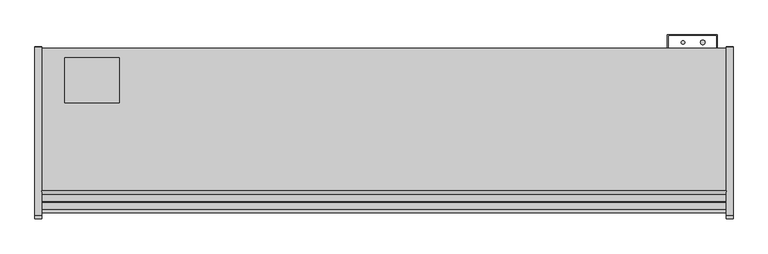
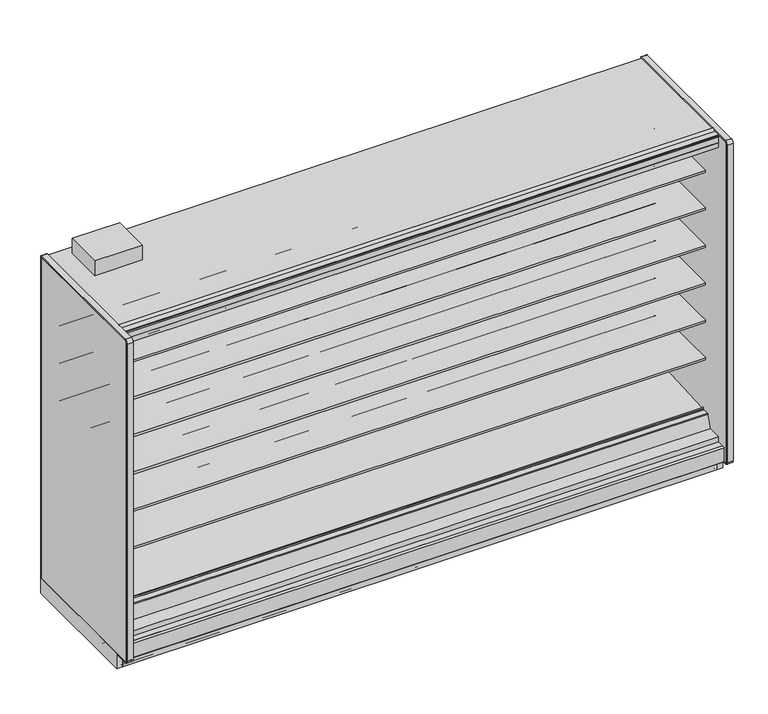
"""IFC4 building model written with IfcOpenShell, lengths in millimetres: proxy geometry."""

from ifc_helpers import new_model, si_unit, point, frame, frame_2d, origin, origin_with_axes, place, context, project, spatial, polyline, circle_curve, trimmed, segment, composite_curve, outline, extrude, source, transform, mapped, element, save
from ifc_brep_helpers import plane_surface, cylinder_surface, revolved_surface, advanced_brep


def mechanical_equipment_79e65f92(model_context):
    return source(origin(), model_context, "Body", "SolidModel", [
        advanced_brep(
        [(3810.0, -561.9634035, 344.1848334), (3810.0, -564.2429044, 345.4296812), (3810.0, -1026.8895371, 320.6518015), (3810.0, -1030.5933535, 323.8714799), (3810.0, -1031.0840219, 329.4798433), (3810.0, -1038.0719408, 329.6038293), (3810.0, -1036.3912863, 310.3938498), (3810.0, -1029.7331167, 304.6059909), (3810.0, -564.0987232, 329.0088554), (3810.0, -561.0984251, 332.412155), (0.0, -561.9634035, 344.1848334), (0.0, -561.0984251, 332.412155), (0.0, -564.0987232, 329.0088554), (0.0, -1029.7331167, 304.6059909), (0.0, -1036.3912863, 310.3938498), (0.0, -1038.0719408, 329.6038293), (0.0, -1031.1453592, 329.474477), (0.0, -1030.5933535, 323.8714799), (0.0, -1026.8895371, 320.6518015), (0.0, -564.2429044, 345.4296812)],
        [
            (0, 1, circle_curve(frame((3810.0, -564.1846976, 342.8267904), z_axis=(1.0, 0.0, 0.0), x_axis=(0.0, 1.0, 0.0)), 2.6035415)),
            (1, 2),
            (2, 3, circle_curve(frame((3810.0, -1027.074408, 324.1793478), z_axis=(-1.0, 0.0, 0.0), x_axis=(0.0, 1.0, 0.0)), 3.5323874)),
            (3, 4),
            (4, 5, circle_curve(frame((3810.0, -1034.6155275, 329.1708765), z_axis=(1.0, 0.0, 0.0), x_axis=(0.0, 1.0, 0.0)), 3.4834238)),
            (5, 6),
            (6, 7, circle_curve(frame((3810.0, -1030.06545, 310.9472884), z_axis=(1.0, 0.0, 0.0), x_axis=(0.0, 1.0, 0.0)), 6.35)),
            (7, 8),
            (8, 9, circle_curve(frame((3810.0, -564.2648898, 332.1795042), z_axis=(1.0, 0.0, 0.0), x_axis=(0.0, 1.0, 0.0)), 3.175)),
            (9, 0),
            (10, 11),
            (11, 12, circle_curve(frame((0.0, -564.2648898, 332.1795042), z_axis=(-1.0, 0.0, 0.0), x_axis=(0.0, 1.0, 0.0)), 3.175)),
            (12, 13),
            (13, 14, circle_curve(frame((0.0, -1030.06545, 310.9472884), z_axis=(-1.0, 0.0, 0.0), x_axis=(0.0, 1.0, 0.0)), 6.35)),
            (14, 15),
            (15, 16, circle_curve(frame((0.0, -1034.6155275, 329.1708765), z_axis=(-1.0, 0.0, 0.0), x_axis=(0.0, 1.0, 0.0)), 3.4834238)),
            (16, 17),
            (17, 18, circle_curve(frame((0.0, -1027.074408, 324.1793478), z_axis=(1.0, 0.0, 0.0), x_axis=(0.0, 1.0, 0.0)), 3.5323874)),
            (18, 19),
            (19, 10, circle_curve(frame((0.0, -564.1846976, 342.8267904), z_axis=(-1.0, 0.0, 0.0), x_axis=(0.0, 1.0, 0.0)), 2.6035415)),
            (0, 10),
            (19, 1),
            (18, 2),
            (17, 3),
            (16, 4),
            (15, 5),
            (14, 6),
            (13, 7),
            (12, 8),
            (11, 9),
        ],
        [
            plane_surface(frame((3810.0, -561.5811561, 342.8267904), z_axis=(1.0, 0.0, 0.0), x_axis=(0.0, 0.0, 1.0))),
            plane_surface(frame((0.0, -561.5811561, 342.8267904), z_axis=(-1.0, 0.0, 0.0), x_axis=(0.0, 0.0, -1.0))),
            cylinder_surface(frame((0.0, -564.1846976, 342.8267904), z_axis=(1.0, 0.0, 0.0), x_axis=(0.0, 1.0, 0.0)), 2.6035415),
            plane_surface(frame((3810.0, -564.2429044, 345.4296812), z_axis=(0.0, -0.05348016950002925, 0.9985689117283034), x_axis=(-1.0, 0.0, 0.0))),
            revolved_surface(polyline([(0.0, -1023.5420206, 324.1793478), (3810.0, -1023.5420206, 324.1793478)]), (0.0, -1027.074408, 324.1793478), (-1.0, 0.0, 0.0)),
            plane_surface(frame((3810.0, -1030.5933535, 323.8714799), z_axis=(0.0, 0.9961946955698885, 0.08715577157261226), x_axis=(-1.0, 0.0, 0.0))),
            cylinder_surface(frame((0.0, -1034.6155275, 329.1708765), z_axis=(1.0, 0.0, 0.0), x_axis=(0.0, 1.0, 0.0)), 3.4834238),
            plane_surface(frame((3810.0, -1038.0719408, 329.6038293), z_axis=(0.0, -0.9961947025639891, -0.08715569162966595), x_axis=(-1.0, 0.0, 0.0))),
            cylinder_surface(frame((0.0, -1030.06545, 310.9472884), z_axis=(1.0, 0.0, 0.0), x_axis=(0.0, 1.0, 0.0)), 6.35),
            plane_surface(frame((3810.0, -1029.7331167, 304.6059909), z_axis=(0.0, 0.05233595624301148, -0.9986295347545703), x_axis=(-1.0, 0.0, 0.0))),
            cylinder_surface(frame((0.0, -564.2648898, 332.1795042), z_axis=(1.0, 0.0, 0.0), x_axis=(0.0, 1.0, 0.0)), 3.175),
            plane_surface(frame((3810.0, -561.0984251, 332.412155), z_axis=(0.0, 0.9973117114183067, 0.07327585050948485), x_axis=(-1.0, 0.0, 0.0))),
        ],
        [
            (0, [[1, 2, 3, 4, 5, 6, 7, 8, 9, 10]]),
            (1, [[11, 12, 13, 14, 15, 16, 17, 18, 19, 20]]),
            (2, [[-1, 21, -20, 22]]),
            (3, [[-2, -22, -19, 23]]),
            (4, [[-3, -23, -18, 24]]),
            (5, [[-4, -24, -17, 25]]),
            (6, [[-5, -25, -16, 26]]),
            (7, [[-6, -26, -15, 27]]),
            (8, [[-7, -27, -14, 28]]),
            (9, [[-8, -28, -13, 29]]),
            (10, [[-9, -29, -12, 30]]),
            (11, [[-10, -30, -11, -21]]),
        ],
    ),
        extrude(outline(polyline([(0.0, -76.2), (0.0, 0.0), (3810.0, 0.0), (3810.0, -76.2), (0.0, -76.2)])), frame((3810.0, -1148.315718, 2172.3343709), z_axis=(0.0, 0.20791169081767066, 0.9781476007338246), x_axis=(-1.0, 0.0, 0.0)), (0.0, 0.0, 1.0), 12.7),
        extrude(outline(composite_curve([segment(polyline([(-450.7214273, 610.906076), (-468.9852913, 610.5955195)]), True, "CONTINUOUS"), segment(trimmed(circle_curve(frame_2d((-469.4171274, 635.9918483)), 25.4), [point((-468.9852913, 610.5955195))], [point((-485.3944836, 616.2463656))], False, "CARTESIAN"), True, "CONTINUOUS"), segment(polyline([(-485.3944836, 616.2463656), (-503.2465447, 630.6916311)]), True, "CONTINUOUS"), segment(trimmed(circle_curve(frame_2d((-543.1899354, 581.3279244)), 63.5), [point((-503.2465447, 630.6916311))], [point((-535.2920542, 644.3348563))], True, "CARTESIAN"), True, "CONTINUOUS"), segment(polyline([(-535.2920542, 644.3348563), (-749.7407218, 668.0319937), (-751.2294983, 671.4725458), (-1060.3214273, 671.4725458), (-1060.3214273, 685.6965458), (-450.7214273, 685.6965458), (-450.7214273, 610.906076)]), True, "CONTINUOUS")], self_intersect=False)), frame((0.0, 0.0, 0.0), z_axis=(1.0, 0.0, 0.0), x_axis=(0.0, 1.0, 0.0)), (0.0, 0.0, 1.0), 3810.0),
        extrude(outline(composite_curve([segment(polyline([(-450.7214273, 864.906076), (-468.9852913, 864.5955195)]), True, "CONTINUOUS"), segment(trimmed(circle_curve(frame_2d((-469.4171274, 889.9918483)), 25.4), [point((-468.9852913, 864.5955195))], [point((-485.3944836, 870.2463656))], False, "CARTESIAN"), True, "CONTINUOUS"), segment(polyline([(-485.3944836, 870.2463656), (-503.2465447, 884.6916311)]), True, "CONTINUOUS"), segment(trimmed(circle_curve(frame_2d((-543.1899354, 835.3279244)), 63.5), [point((-503.2465447, 884.6916311))], [point((-535.2920542, 898.3348563))], True, "CARTESIAN"), True, "CONTINUOUS"), segment(polyline([(-535.2920542, 898.3348563), (-749.7407218, 922.0319937), (-751.2294983, 925.4725458), (-1060.3214273, 925.4725458), (-1060.3214273, 939.6965458), (-450.7214273, 939.6965458), (-450.7214273, 864.906076)]), True, "CONTINUOUS")], self_intersect=False)), frame((0.0, 0.0, 0.0), z_axis=(1.0, 0.0, 0.0), x_axis=(0.0, 1.0, 0.0)), (0.0, 0.0, 1.0), 3810.0),
        extrude(outline(composite_curve([segment(polyline([(-450.7214273, 1118.906076), (-468.9852913, 1118.5955195)]), True, "CONTINUOUS"), segment(trimmed(circle_curve(frame_2d((-469.4171274, 1143.9918483)), 25.4), [point((-468.9852913, 1118.5955195))], [point((-485.3944836, 1124.2463656))], False, "CARTESIAN"), True, "CONTINUOUS"), segment(polyline([(-485.3944836, 1124.2463656), (-503.2465447, 1138.6916311)]), True, "CONTINUOUS"), segment(trimmed(circle_curve(frame_2d((-543.1899354, 1089.3279244)), 63.5), [point((-503.2465447, 1138.6916311))], [point((-535.2920542, 1152.3348563))], True, "CARTESIAN"), True, "CONTINUOUS"), segment(polyline([(-535.2920542, 1152.3348563), (-749.7407218, 1176.0319937), (-751.2294983, 1179.4725458), (-1060.3214273, 1179.4725458), (-1060.3214273, 1193.6965458), (-450.7214273, 1193.6965458), (-450.7214273, 1118.906076)]), True, "CONTINUOUS")], self_intersect=False)), frame((0.0, 0.0, 0.0), z_axis=(1.0, 0.0, 0.0), x_axis=(0.0, 1.0, 0.0)), (0.0, 0.0, 1.0), 3810.0),
        extrude(outline(composite_curve([segment(polyline([(-450.7214273, 1372.906076), (-468.9852913, 1372.5955195)]), True, "CONTINUOUS"), segment(trimmed(circle_curve(frame_2d((-469.4171274, 1397.9918483)), 25.4), [point((-468.9852913, 1372.5955195))], [point((-485.3944836, 1378.2463656))], False, "CARTESIAN"), True, "CONTINUOUS"), segment(polyline([(-485.3944836, 1378.2463656), (-503.2465447, 1392.6916311)]), True, "CONTINUOUS"), segment(trimmed(circle_curve(frame_2d((-543.1899354, 1343.3279244)), 63.5), [point((-503.2465447, 1392.6916311))], [point((-535.2920542, 1406.3348563))], True, "CARTESIAN"), True, "CONTINUOUS"), segment(polyline([(-535.2920542, 1406.3348563), (-749.7407218, 1430.0319937), (-751.2294983, 1433.4725458), (-1060.3214273, 1433.4725458), (-1060.3214273, 1447.6965458), (-450.7214273, 1447.6965458), (-450.7214273, 1372.906076)]), True, "CONTINUOUS")], self_intersect=False)), frame((0.0, 0.0, 0.0), z_axis=(1.0, 0.0, 0.0), x_axis=(0.0, 1.0, 0.0)), (0.0, 0.0, 1.0), 3810.0),
        extrude(outline(composite_curve([segment(polyline([(-450.7214273, 1626.906076), (-468.9852913, 1626.5955195)]), True, "CONTINUOUS"), segment(trimmed(circle_curve(frame_2d((-469.4171274, 1651.9918483)), 25.4), [point((-468.9852913, 1626.5955195))], [point((-485.3944836, 1632.2463656))], False, "CARTESIAN"), True, "CONTINUOUS"), segment(polyline([(-485.3944836, 1632.2463656), (-503.2465447, 1646.6916311)]), True, "CONTINUOUS"), segment(trimmed(circle_curve(frame_2d((-543.1899354, 1597.3279244)), 63.5), [point((-503.2465447, 1646.6916311))], [point((-535.2920542, 1660.3348563))], True, "CARTESIAN"), True, "CONTINUOUS"), segment(polyline([(-535.2920542, 1660.3348563), (-749.7407218, 1684.0319937), (-751.2294983, 1687.4725458), (-1060.3214273, 1687.4725458), (-1060.3214273, 1701.6965458), (-450.7214273, 1701.6965458), (-450.7214273, 1626.906076)]), True, "CONTINUOUS")], self_intersect=False)), frame((0.0, 0.0, 0.0), z_axis=(1.0, 0.0, 0.0), x_axis=(0.0, 1.0, 0.0)), (0.0, 0.0, 1.0), 3810.0),
        extrude(outline(composite_curve([segment(polyline([(-450.7214273, 1880.906076), (-468.9852913, 1880.5955195)]), True, "CONTINUOUS"), segment(trimmed(circle_curve(frame_2d((-469.4171274, 1905.9918483)), 25.4), [point((-468.9852913, 1880.5955195))], [point((-485.3944836, 1886.2463656))], False, "CARTESIAN"), True, "CONTINUOUS"), segment(polyline([(-485.3944836, 1886.2463656), (-503.2465447, 1900.6916311)]), True, "CONTINUOUS"), segment(trimmed(circle_curve(frame_2d((-543.1899354, 1851.3279244)), 63.5), [point((-503.2465447, 1900.6916311))], [point((-535.2920542, 1914.3348563))], True, "CARTESIAN"), True, "CONTINUOUS"), segment(polyline([(-535.2920542, 1914.3348563), (-749.7407218, 1938.0319937), (-751.2294983, 1941.4725458), (-1060.3214273, 1941.4725458), (-1060.3214273, 1955.6965458), (-450.7214273, 1955.6965458), (-450.7214273, 1880.906076)]), True, "CONTINUOUS")], self_intersect=False)), frame((0.0, 0.0, 0.0), z_axis=(1.0, 0.0, 0.0), x_axis=(0.0, 1.0, 0.0)), (0.0, 0.0, 1.0), 3810.0),
        extrude(outline(composite_curve([segment(polyline([(-399.4642273, 263.5334166), (-450.7214273, 263.5334166), (-450.7214273, 2180.7678), (-1054.683315, 2180.7678), (-1065.9723027, 2183.3740682), (-1068.4516793, 2171.7095186)]), True, "CONTINUOUS"), segment(trimmed(circle_curve(frame_2d((-1069.9423762, 2172.026376)), 1.524), [point((-1068.4516793, 2171.7095186))], [point((-1070.2592336, 2170.535679))], False, "CARTESIAN"), True, "CONTINUOUS"), segment(polyline([(-1070.2592336, 2170.535679), (-1146.9989273, 2186.8472045), (-1146.9989273, 2185.4610037)]), True, "CONTINUOUS"), segment(trimmed(circle_curve(frame_2d((-1149.3773343, 2185.6703219)), 2.3876), [point((-1146.9989273, 2185.4610037))], [point((-1149.3773343, 2183.2827219))], False, "CARTESIAN"), True, "CONTINUOUS"), segment(polyline([(-1149.3773343, 2183.2827219), (-1160.0080838, 2183.2827219), (-1160.0080838, 2198.5584119), (-1204.934197, 2198.5584119), (-1204.934197, 2231.5678), (-399.4642273, 2231.5678), (-399.4642273, 263.5334166)]), True, "CONTINUOUS")], self_intersect=False)), frame((0.0, 0.0, 0.0), z_axis=(1.0, 0.0, 0.0), x_axis=(0.0, 1.0, 0.0)), (0.0, 0.0, 1.0), 3810.0),
        extrude(outline(polyline([(-1184.0321273, 137.6211945), (-1168.9318273, 134.4868212), (-1168.9318273, 0.0), (-1184.0321273, 0.0), (-1184.0321273, 137.6211945)])), frame((0.0, 0.0, 0.0), z_axis=(1.0, 0.0, 0.0), x_axis=(0.0, 1.0, 0.0)), (0.0, 0.0, 1.0), 3810.0),
        extrude(outline(composite_curve([segment(polyline([(-1143.4147517, 2293.9163807), (-1142.8305517, 2292.9045166), (-1164.373752, 2280.4665441)]), True, "CONTINUOUS"), segment(trimmed(circle_curve(frame_2d((-1165.351652, 2282.1603166)), 1.9558), [point((-1164.373752, 2280.4665441))], [point((-1165.351652, 2280.2045166))], False, "CARTESIAN"), True, "CONTINUOUS"), segment(polyline([(-1165.351652, 2280.2045166), (-1204.146797, 2280.2045166)]), True, "CONTINUOUS"), segment(trimmed(circle_curve(frame_2d((-1204.146797, 2279.4171166)), 0.7874), [point((-1204.146797, 2280.2045166))], [point((-1204.934197, 2279.4171166))], True, "CARTESIAN"), True, "CONTINUOUS"), segment(polyline([(-1204.934197, 2279.4171166), (-1204.934197, 2271.1740275), (-1206.102597, 2271.1740275), (-1206.102597, 2279.4171166)]), True, "CONTINUOUS"), segment(trimmed(circle_curve(frame_2d((-1204.146797, 2279.4171166)), 1.9558), [point((-1206.102597, 2279.4171166))], [point((-1204.146797, 2281.3729166))], False, "CARTESIAN"), True, "CONTINUOUS"), segment(polyline([(-1204.146797, 2281.3729166), (-1165.8714792, 2281.3729166)]), True, "CONTINUOUS"), segment(trimmed(circle_curve(frame_2d((-1165.8714792, 2284.100338)), 2.7274214), [point((-1165.8714792, 2281.3729166))], [point((-1164.5077684, 2281.7383218))], True, "CARTESIAN"), True, "CONTINUOUS"), segment(polyline([(-1164.5077684, 2281.7383218), (-1143.4147517, 2293.9163807)]), True, "CONTINUOUS")], self_intersect=False)), frame((0.0, 0.0, 0.0), z_axis=(1.0, 0.0, 0.0), x_axis=(0.0, 1.0, 0.0)), (0.0, 0.0, 1.0), 3810.0),
        extrude(outline(composite_curve([segment(trimmed(circle_curve(frame_2d((-389.0756273, 5.1562)), 5.1562), [point((-389.0756273, 0.0))], [point((-394.2318273, 5.1562))], False, "CARTESIAN"), True, "CONTINUOUS"), segment(polyline([(-394.2318273, 5.1562), (-394.2318273, 20.5359)]), True, "CONTINUOUS"), segment(trimmed(circle_curve(frame_2d((-396.6194273, 20.5359)), 2.3876), [point((-394.2318273, 20.5359))], [point((-396.6194273, 22.9235))], True, "CARTESIAN"), True, "CONTINUOUS"), segment(polyline([(-396.6194273, 22.9235), (-407.8462273, 22.9235)]), True, "CONTINUOUS"), segment(trimmed(circle_curve(frame_2d((-407.8462273, 20.5359)), 2.3876), [point((-407.8462273, 22.9235))], [point((-410.2338273, 20.5359))], True, "CARTESIAN"), True, "CONTINUOUS"), segment(polyline([(-410.2338273, 20.5359), (-410.2338273, 5.1054), (-413.0024273, 5.1054), (-413.0024273, 20.5359)]), True, "CONTINUOUS"), segment(trimmed(circle_curve(frame_2d((-407.8462273, 20.5359)), 5.1562), [point((-413.0024273, 20.5359))], [point((-407.8462273, 25.6921))], False, "CARTESIAN"), True, "CONTINUOUS"), segment(polyline([(-407.8462273, 25.6921), (-396.6194273, 25.6921)]), True, "CONTINUOUS"), segment(trimmed(circle_curve(frame_2d((-396.6194273, 20.5359)), 5.1562), [point((-396.6194273, 25.6921))], [point((-391.4632273, 20.5359))], False, "CARTESIAN"), True, "CONTINUOUS"), segment(polyline([(-391.4632273, 20.5359), (-391.4632273, 5.1562)]), True, "CONTINUOUS"), segment(trimmed(circle_curve(frame_2d((-389.0756273, 5.1562)), 2.3876), [point((-391.4632273, 5.1562))], [point((-389.0756273, 2.7686))], True, "CARTESIAN"), True, "CONTINUOUS"), segment(polyline([(-389.0756273, 2.7686), (-354.1633273, 2.7686)]), True, "CONTINUOUS"), segment(trimmed(circle_curve(frame_2d((-354.1633273, 5.1562)), 2.3876), [point((-354.1633273, 2.7686))], [point((-351.7757273, 5.1562))], True, "CARTESIAN"), True, "CONTINUOUS"), segment(polyline([(-351.7757273, 5.1562), (-351.7757273, 24.892), (-349.0071273, 24.892), (-349.0071273, 5.1562)]), True, "CONTINUOUS"), segment(trimmed(circle_curve(frame_2d((-354.1633273, 5.1562)), 5.1562), [point((-349.0071273, 5.1562))], [point((-354.1633273, 0.0))], False, "CARTESIAN"), True, "CONTINUOUS"), segment(polyline([(-354.1633273, 0.0), (-389.0756273, 0.0)]), True, "CONTINUOUS")], self_intersect=False)), frame((0.0, 0.0, 0.0), z_axis=(1.0, 0.0, 0.0), x_axis=(0.0, 1.0, 0.0)), (0.0, 0.0, 1.0), 3810.0),
        extrude(outline(polyline([(431.8, -402.5757273), (431.8, -653.4642273), (127.0, -653.4642273), (127.0, -402.5757273), (431.8, -402.5757273)])), frame((0.0, 0.0, 2283.6853727), z_axis=(0.0, 0.0, 1.0), x_axis=(1.0, 0.0, 0.0)), (0.0, 0.0, 1.0), 100.7396273),
        extrude(outline(composite_curve([segment(trimmed(circle_curve(frame_2d((3679.1930803, -317.2571273)), 12.7), [point((3666.4930803, -317.2571273))], [point((3691.8930803, -317.2571273))], False, "CARTESIAN"), True, "CONTINUOUS"), segment(trimmed(circle_curve(frame_2d((3679.1930803, -317.2571273)), 12.7), [point((3691.8930803, -317.2571273))], [point((3666.4930803, -317.2571273))], False, "CARTESIAN"), True, "CONTINUOUS")], self_intersect=False)), frame((0.0, 0.0, 1447.6965458), z_axis=(0.0, 0.0, 1.0), x_axis=(1.0, 0.0, 0.0)), (0.0, 0.0, 1.0), 508.0),
        extrude(outline(composite_curve([segment(trimmed(circle_curve(frame_2d((3569.2004524, -317.2571273)), 9.525), [point((3559.6754524, -317.2571273))], [point((3578.7254524, -317.2571273))], False, "CARTESIAN"), True, "CONTINUOUS"), segment(trimmed(circle_curve(frame_2d((3569.2004524, -317.2571273)), 9.525), [point((3578.7254524, -317.2571273))], [point((3559.6754524, -317.2571273))], False, "CARTESIAN"), True, "CONTINUOUS")], self_intersect=False)), frame((0.0, 0.0, 1447.6965458), z_axis=(0.0, 0.0, 1.0), x_axis=(1.0, 0.0, 0.0)), (0.0, 0.0, 1.0), 508.0),
        extrude(outline(composite_curve([segment(trimmed(circle_curve(frame_2d((3670.8004524, -526.8071273)), 9.525), [point((3661.2754524, -526.8071273))], [point((3680.3254524, -526.8071273))], False, "CARTESIAN"), True, "CONTINUOUS"), segment(trimmed(circle_curve(frame_2d((3670.8004524, -526.8071273)), 9.525), [point((3680.3254524, -526.8071273))], [point((3661.2754524, -526.8071273))], False, "CARTESIAN"), True, "CONTINUOUS")], self_intersect=False)), frame((0.0, 0.0, 57.8450688), z_axis=(0.0, 0.0, 1.0), x_axis=(1.0, 0.0, 0.0)), (0.0, 0.0, 1.0), 47.3172812),
        extrude(outline(composite_curve([segment(trimmed(circle_curve(frame_2d((3717.2930803, -526.8071273)), 12.7), [point((3704.5930803, -526.8071273))], [point((3729.9930803, -526.8071273))], False, "CARTESIAN"), True, "CONTINUOUS"), segment(trimmed(circle_curve(frame_2d((3717.2930803, -526.8071273)), 12.7), [point((3729.9930803, -526.8071273))], [point((3704.5930803, -526.8071273))], False, "CARTESIAN"), True, "CONTINUOUS")], self_intersect=False)), frame((0.0, 0.0, 57.8450688), z_axis=(0.0, 0.0, 1.0), x_axis=(1.0, 0.0, 0.0)), (0.0, 0.0, 1.0), 47.3172812),
        advanced_brep(
        [(3810.0, -351.7757273, 5.1562), (3810.0, -351.7757273, 102.030341), (3810.0, -354.5203863, 104.775), (3810.0, -1016.877197, 104.775), (3810.0, -1020.1132273, 101.5389697), (3810.0, -1020.1132273, 5.1562), (3810.0, -1017.7256273, 2.7686), (3810.0, -985.1882273, 2.7686), (3810.0, -985.1882273, 44.45), (3810.0, -386.7007273, 44.45), (3810.0, -386.7007273, 2.7686), (3810.0, -354.1633273, 2.7686), (0.0, -351.7757273, 5.1562), (0.0, -354.1633273, 2.7686), (0.0, -386.7007273, 2.7686), (0.0, -386.7007273, 44.45), (0.0, -985.1882273, 44.45), (0.0, -985.1882273, 2.7686), (0.0, -1017.7256273, 2.7686), (0.0, -1020.1132273, 5.1562), (0.0, -1020.1132273, 101.5389697), (0.0, -1016.877197, 104.775), (0.0, -354.5203863, 104.775), (0.0, -351.7757273, 102.030341), (1955.8, -945.9071273, 104.775), (1854.2, -945.9071273, 104.775), (3746.5, -526.8071273, 104.775), (3644.9, -526.8071273, 104.775), (3644.9, -526.8071273, 44.45), (3746.5, -526.8071273, 44.45), (1854.2, -945.9071273, 70.23735), (1955.8, -945.9071273, 70.23735)],
        [
            (0, 1),
            (1, 2, circle_curve(frame((3810.0, -354.5203863, 102.030341), z_axis=(1.0, 0.0, 0.0), x_axis=(0.0, 1.0, 0.0)), 2.744659)),
            (2, 3),
            (3, 4, circle_curve(frame((3810.0, -1016.877197, 101.5389697), z_axis=(1.0, 0.0, 0.0), x_axis=(0.0, 1.0, 0.0)), 3.2360303)),
            (4, 5),
            (5, 6, circle_curve(frame((3810.0, -1017.7256273, 5.1562), z_axis=(1.0, 0.0, 0.0), x_axis=(0.0, 1.0, 0.0)), 2.3876)),
            (6, 7),
            (7, 8),
            (8, 9),
            (9, 10),
            (10, 11),
            (11, 0, circle_curve(frame((3810.0, -354.1633273, 5.1562), z_axis=(1.0, 0.0, 0.0), x_axis=(0.0, 1.0, 0.0)), 2.3876)),
            (12, 13, circle_curve(frame((0.0, -354.1633273, 5.1562), z_axis=(-1.0, 0.0, 0.0), x_axis=(0.0, 1.0, 0.0)), 2.3876)),
            (13, 14),
            (14, 15),
            (15, 16),
            (16, 17),
            (17, 18),
            (18, 19, circle_curve(frame((0.0, -1017.7256273, 5.1562), z_axis=(-1.0, 0.0, 0.0), x_axis=(0.0, 1.0, 0.0)), 2.3876)),
            (19, 20),
            (20, 21, circle_curve(frame((0.0, -1016.877197, 101.5389697), z_axis=(-1.0, 0.0, 0.0), x_axis=(0.0, 1.0, 0.0)), 3.2360303)),
            (21, 22),
            (22, 23, circle_curve(frame((0.0, -354.5203863, 102.030341), z_axis=(-1.0, 0.0, 0.0), x_axis=(0.0, 1.0, 0.0)), 2.744659)),
            (23, 12),
            (0, 12),
            (23, 1),
            (22, 2),
            (21, 3),
            (24, 25, circle_curve(frame((1905.0, -945.9071273, 104.775), z_axis=(0.0, 0.0, -1.0), x_axis=(1.0, 0.0, 0.0)), 50.8)),
            (25, 24, circle_curve(frame((1905.0, -945.9071273, 104.775), z_axis=(0.0, 0.0, -1.0), x_axis=(1.0, 0.0, 0.0)), 50.8)),
            (26, 27, circle_curve(frame((3695.7, -526.8071273, 104.775), z_axis=(0.0, 0.0, -1.0), x_axis=(1.0, 0.0, 0.0)), 50.8)),
            (27, 26, circle_curve(frame((3695.7, -526.8071273, 104.775), z_axis=(0.0, 0.0, -1.0), x_axis=(1.0, 0.0, 0.0)), 50.8)),
            (20, 4),
            (19, 5),
            (18, 6),
            (17, 7),
            (16, 8),
            (15, 9),
            (28, 29, circle_curve(frame((3695.7, -526.8071273, 44.45), z_axis=(0.0, 0.0, 1.0), x_axis=(1.0, 0.0, 0.0)), 50.8)),
            (29, 28, circle_curve(frame((3695.7, -526.8071273, 44.45), z_axis=(0.0, 0.0, 1.0), x_axis=(1.0, 0.0, 0.0)), 50.8)),
            (14, 10),
            (13, 11),
            (30, 31, circle_curve(frame((1905.0, -945.9071273, 70.23735), z_axis=(0.0, 0.0, 1.0), x_axis=(1.0, 0.0, 0.0)), 50.8)),
            (31, 30, circle_curve(frame((1905.0, -945.9071273, 70.23735), z_axis=(0.0, 0.0, 1.0), x_axis=(1.0, 0.0, 0.0)), 50.8)),
            (30, 25),
            (24, 31),
            (28, 27),
            (26, 29),
        ],
        [
            plane_surface(frame((3810.0, -351.7757273, 124.7613392), z_axis=(1.0, 0.0, 0.0), x_axis=(0.0, 0.0, 1.0))),
            plane_surface(frame((0.0, -351.7757273, 124.7613392), z_axis=(-1.0, 0.0, 0.0), x_axis=(0.0, 0.0, -1.0))),
            plane_surface(frame((3810.0, -351.7757273, 5.1562), z_axis=(0.0, 1.0, 0.0), x_axis=(-1.0, 0.0, 0.0))),
            cylinder_surface(frame((0.0, -354.5203863, 102.030341), z_axis=(1.0, 0.0, 0.0), x_axis=(0.0, 1.0, 0.0)), 2.744659),
            plane_surface(frame((3810.0, -354.5203863, 104.775), z_axis=(0.0, 0.0, 1.0), x_axis=(-1.0, 0.0, 0.0))),
            cylinder_surface(frame((0.0, -1016.877197, 101.5389697), z_axis=(1.0, 0.0, 0.0), x_axis=(0.0, 1.0, 0.0)), 3.2360303),
            plane_surface(frame((3810.0, -1020.1132273, 101.5389697), z_axis=(0.0, -1.0, 0.0), x_axis=(-1.0, 0.0, 0.0))),
            cylinder_surface(frame((0.0, -1017.7256273, 5.1562), z_axis=(1.0, 0.0, 0.0), x_axis=(0.0, 1.0, 0.0)), 2.3876),
            plane_surface(frame((3810.0, -1017.7256273, 2.7686), z_axis=(0.0, 0.0, -1.0), x_axis=(-1.0, 0.0, 0.0))),
            plane_surface(frame((3810.0, -985.1882273, 2.7686), z_axis=(0.0, 1.0, 0.0), x_axis=(-1.0, 0.0, 0.0))),
            plane_surface(frame((3810.0, -985.1882273, 44.45), z_axis=(0.0, 0.0, -1.0), x_axis=(-1.0, 0.0, 0.0))),
            plane_surface(frame((3810.0, -386.7007273, 44.45), z_axis=(0.0, -1.0, 0.0), x_axis=(-1.0, 0.0, 0.0))),
            plane_surface(frame((3810.0, -386.7007273, 2.7686), z_axis=(0.0, 0.0, -1.0), x_axis=(-1.0, 0.0, 0.0))),
            cylinder_surface(frame((0.0, -354.1633273, 5.1562), z_axis=(1.0, 0.0, 0.0), x_axis=(0.0, 1.0, 0.0)), 2.3876),
            plane_surface(frame((1955.8, -945.9071273, 70.23735), z_axis=(0.0, 0.0, 1.0), x_axis=(0.0, -1.0, 0.0))),
            revolved_surface(polyline([(1955.8, -945.9071273, 104.775), (1955.8, -945.9071273, 70.23735)]), (1905.0, -945.9071273, 70.23735), (0.0, 0.0, 1.0)),
            revolved_surface(polyline([(3746.5, -526.8071273, 104.775), (3746.5, -526.8071273, 44.45)]), (3695.7, -526.8071273, 0.0), (0.0, 0.0, 1.0)),
        ],
        [
            (0, [[1, 2, 3, 4, 5, 6, 7, 8, 9, 10, 11, 12]]),
            (1, [[13, 14, 15, 16, 17, 18, 19, 20, 21, 22, 23, 24]]),
            (2, [[-1, 25, -24, 26]]),
            (3, [[-2, -26, -23, 27]]),
            (4, [[-3, -27, -22, 28], [29, 30], [31, 32]]),
            (5, [[-4, -28, -21, 33]]),
            (6, [[-5, -33, -20, 34]]),
            (7, [[-6, -34, -19, 35]]),
            (8, [[-7, -35, -18, 36]]),
            (9, [[-8, -36, -17, 37]]),
            (10, [[-9, -37, -16, 38], [39, 40]]),
            (11, [[-10, -38, -15, 41]]),
            (12, [[-11, -41, -14, 42]]),
            (13, [[-12, -42, -13, -25]]),
            (14, [[43, 44]]),
            (15, [[-43, 45, -29, 46]]),
            (15, [[-44, -46, -30, -45]]),
            (16, [[47, -31, 48, -39]]),
            (16, [[-47, -40, -48, -32]]),
        ],
    ),
        extrude(outline(composite_curve([segment(polyline([(-982.8133273, 0.0), (-1017.7256273, 0.0)]), True, "CONTINUOUS"), segment(trimmed(circle_curve(frame_2d((-1017.7256273, 5.1562)), 5.1562), [point((-1017.7256273, 0.0))], [point((-1022.8818273, 5.1562))], False, "CARTESIAN"), True, "CONTINUOUS"), segment(polyline([(-1022.8818273, 5.1562), (-1022.8818273, 24.892), (-1020.1132273, 24.892), (-1020.1132273, 5.1562)]), True, "CONTINUOUS"), segment(trimmed(circle_curve(frame_2d((-1017.7256273, 5.1562)), 2.3876), [point((-1020.1132273, 5.1562))], [point((-1017.7256273, 2.7686))], True, "CARTESIAN"), True, "CONTINUOUS"), segment(polyline([(-1017.7256273, 2.7686), (-982.8133273, 2.7686)]), True, "CONTINUOUS"), segment(trimmed(circle_curve(frame_2d((-982.8133273, 5.1562)), 2.3876), [point((-982.8133273, 2.7686))], [point((-980.4257273, 5.1562))], True, "CARTESIAN"), True, "CONTINUOUS"), segment(polyline([(-980.4257273, 5.1562), (-980.4257273, 20.5359)]), True, "CONTINUOUS"), segment(trimmed(circle_curve(frame_2d((-975.2695273, 20.5359)), 5.1562), [point((-980.4257273, 20.5359))], [point((-975.2695273, 25.6921))], False, "CARTESIAN"), True, "CONTINUOUS"), segment(polyline([(-975.2695273, 25.6921), (-964.0427273, 25.6921)]), True, "CONTINUOUS"), segment(trimmed(circle_curve(frame_2d((-964.0427273, 20.5359)), 5.1562), [point((-964.0427273, 25.6921))], [point((-958.8865273, 20.5359))], False, "CARTESIAN"), True, "CONTINUOUS"), segment(polyline([(-958.8865273, 20.5359), (-958.8865273, 5.1054), (-961.6551273, 5.1054), (-961.6551273, 20.5359)]), True, "CONTINUOUS"), segment(trimmed(circle_curve(frame_2d((-964.0427273, 20.5359)), 2.3876), [point((-961.6551273, 20.5359))], [point((-964.0427273, 22.9235))], True, "CARTESIAN"), True, "CONTINUOUS"), segment(polyline([(-964.0427273, 22.9235), (-975.2695273, 22.9235)]), True, "CONTINUOUS"), segment(trimmed(circle_curve(frame_2d((-975.2695273, 20.5359)), 2.3876), [point((-975.2695273, 22.9235))], [point((-977.6571273, 20.5359))], True, "CARTESIAN"), True, "CONTINUOUS"), segment(polyline([(-977.6571273, 20.5359), (-977.6571273, 5.1562)]), True, "CONTINUOUS"), segment(trimmed(circle_curve(frame_2d((-982.8133273, 5.1562)), 5.1562), [point((-977.6571273, 5.1562))], [point((-982.8133273, 0.0))], False, "CARTESIAN"), True, "CONTINUOUS")], self_intersect=False)), frame((0.0, 0.0, 0.0), z_axis=(1.0, 0.0, 0.0), x_axis=(0.0, 1.0, 0.0)), (0.0, 0.0, 1.0), 3810.0),
        extrude(outline(polyline([(3848.1, -341.3672835), (3848.1, -1184.0321273), (3810.0, -1184.0321273), (3810.0, -341.3672835), (3848.1, -341.3672835)])), origin_with_axes(), (0.0, 0.0, 1.0), 105.16235),
        extrude(outline(polyline([(0.0, -341.3672835), (0.0, -1184.0321273), (-38.1, -1184.0321273), (-38.1, -341.3672835), (0.0, -341.3672835)])), origin_with_axes(), (0.0, 0.0, 1.0), 105.16235),
        extrude(outline(polyline([(3482.975, -349.0071273), (3482.975, -275.9821273), (3759.2, -275.9821273), (3759.2, -349.0071273), (3756.025, -349.0071273), (3756.025, -279.1571273), (3486.15, -279.1571273), (3486.15, -349.0071273), (3482.975, -349.0071273)])), frame((0.0, 0.0, 304.927), z_axis=(0.0, 0.0, 1.0), x_axis=(1.0, 0.0, 0.0)), (0.0, 0.0, 1.0), 1523.3666145),
        extrude(outline(composite_curve([segment(polyline([(-1204.934197, 2231.5678), (-1204.934197, 2282.0376)]), True, "CONTINUOUS"), segment(trimmed(circle_curve(frame_2d((-1204.146797, 2282.0376)), 0.7874), [point((-1204.934197, 2282.0376))], [point((-1204.146797, 2282.825))], False, "CARTESIAN"), True, "CONTINUOUS"), segment(polyline([(-1204.146797, 2282.825), (-349.0071273, 2282.825), (-349.0071273, 105.16235), (-1245.5001273, 105.16235), (-1245.5001273, 201.2766923), (-1204.9341969, 201.2766923), (-1204.9341969, 141.9598426), (-1119.8033151, 124.2892029), (-399.4642273, 162.0405748), (-399.4642273, 2231.5678), (-1204.934197, 2231.5678)]), True, "CONTINUOUS")], self_intersect=False)), frame((0.0, 0.0, 0.0), z_axis=(1.0, 0.0, 0.0), x_axis=(0.0, 1.0, 0.0)), (0.0, 0.0, 1.0), 3810.0),
        extrude(outline(composite_curve([segment(polyline([(-1254.0726273, 103.4174079), (-1265.1216273, 103.4174079)]), True, "CONTINUOUS"), segment(trimmed(circle_curve(frame_2d((-1265.1216273, 105.0684079)), 1.651), [point((-1265.1216273, 103.4174079))], [point((-1266.7726273, 105.0684079))], False, "CARTESIAN"), True, "CONTINUOUS"), segment(polyline([(-1266.7726273, 105.0684079), (-1266.7726273, 201.2766923), (-1245.5001273, 201.2766923), (-1245.5001273, 104.8779079), (-1254.0726273, 104.8779079), (-1254.0726273, 103.4174079)]), True, "CONTINUOUS")], self_intersect=False)), frame((0.0, 0.0, 0.0), z_axis=(1.0, 0.0, 0.0), x_axis=(0.0, 1.0, 0.0)), (0.0, 0.0, 1.0), 3810.0),
        extrude(outline(composite_curve([segment(polyline([(-1204.9341969, 236.2009548), (-1112.2655229, 236.2009548), (-1085.4840574, 317.0386194)]), True, "CONTINUOUS"), segment(trimmed(circle_curve(frame_2d((-1079.4562504, 315.0416109)), 6.35), [point((-1085.4840574, 317.0386194))], [point((-1079.4562504, 321.3916109))], False, "CARTESIAN"), True, "CONTINUOUS"), segment(polyline([(-1079.4562504, 321.3916109), (-1042.3265632, 321.3916109)]), True, "CONTINUOUS"), segment(trimmed(circle_curve(frame_2d((-1042.3265632, 317.161475)), 4.2301359), [point((-1042.3265632, 321.3916109))], [point((-1038.0964273, 317.161475))], False, "CARTESIAN"), True, "CONTINUOUS"), segment(polyline([(-1038.0964273, 317.161475), (-1038.0964273, 302.496991), (-560.550461, 327.5241146), (-560.9721481, 339.5996547)]), True, "CONTINUOUS"), segment(trimmed(circle_curve(frame_2d((-556.4536725, 339.7574433)), 4.5212298), [point((-560.9721481, 339.5996547))], [point((-556.6114611, 344.2759189))], False, "CARTESIAN"), True, "CONTINUOUS"), segment(polyline([(-556.6114611, 344.2759189), (-470.5298654, 347.2819545)]), True, "CONTINUOUS"), segment(trimmed(circle_curve(frame_2d((-470.5794425, 348.7016581)), 1.420569), [point((-470.5298654, 347.2819545))], [point((-469.1597389, 348.7512352))], True, "CARTESIAN"), True, "CONTINUOUS"), segment(polyline([(-469.1597389, 348.7512352), (-469.2184151, 350.4315015)]), True, "CONTINUOUS"), segment(trimmed(circle_curve(frame_2d((-467.1682375, 350.5030952)), 2.0514273), [point((-469.2184151, 350.4315015))], [point((-467.5303136, 352.5223166))], False, "CARTESIAN"), True, "CONTINUOUS"), segment(polyline([(-467.5303136, 352.5223166), (-450.7214273, 352.5223166), (-450.7214273, 263.5334166), (-399.4642273, 263.5334166), (-399.4642273, 162.0405748), (-1119.8033151, 124.2892029), (-1204.9341969, 141.9598426), (-1204.9341969, 236.2009548)]), True, "CONTINUOUS")], self_intersect=False)), frame((0.0, 0.0, 0.0), z_axis=(1.0, 0.0, 0.0), x_axis=(0.0, 1.0, 0.0)), (0.0, 0.0, 1.0), 3810.0),
        extrude(outline(composite_curve([segment(polyline([(-1018.5257273, 55.1029387), (-1024.5582273, 55.1180957), (-1024.5582273, -0.0063699), (-1163.8777056, 0.0051706)]), True, "CONTINUOUS"), segment(trimmed(circle_curve(frame_2d((-1163.8772869, 5.059711)), 5.0545404), [point((-1163.8777056, 0.0051706))], [point((-1168.9318273, 5.059711))], False, "CARTESIAN"), True, "CONTINUOUS"), segment(polyline([(-1168.9318273, 5.059711), (-1168.9318273, 134.4868212), (-1119.8033151, 124.2892029), (-1018.5257273, 129.5969363), (-1018.5257273, 55.1029387)]), True, "CONTINUOUS")], self_intersect=False)), frame((0.0, 0.0, 0.0), z_axis=(1.0, 0.0, 0.0), x_axis=(0.0, 1.0, 0.0)), (0.0, 0.0, 1.0), 3810.0),
        extrude(outline(composite_curve([segment(trimmed(circle_curve(frame_2d((1905.0, -945.9071273)), 38.1), [point((1866.9, -945.9071273))], [point((1943.1, -945.9071273))], False, "CARTESIAN"), True, "CONTINUOUS"), segment(trimmed(circle_curve(frame_2d((1905.0, -945.9071273)), 38.1), [point((1943.1, -945.9071273))], [point((1866.9, -945.9071273))], False, "CARTESIAN"), True, "CONTINUOUS")], self_intersect=False)), frame((0.0, 0.0, 57.8450688), z_axis=(0.0, 0.0, 1.0), x_axis=(1.0, 0.0, 0.0)), (0.0, 0.0, 1.0), 47.3172812),
        extrude(outline(polyline([(114.3, -411.7999572), (114.3, -462.5999572), (0.0, -462.5999572), (0.0, -411.7999572), (114.3, -411.7999572)])), frame((0.0, 0.0, 63.88735), z_axis=(0.0, 0.0, 1.0), x_axis=(1.0, 0.0, 0.0)), (0.0, 0.0, 1.0), 6.35),
        extrude(outline(composite_curve([segment(trimmed(circle_curve(frame_2d((-1279.2821273, 2270.125)), 12.7), [point((-1279.2821273, 2282.825))], [point((-1291.9821273, 2270.125))], True, "CARTESIAN"), True, "CONTINUOUS"), segment(polyline([(-1291.9821273, 2270.125), (-1291.9821273, 117.86235)]), True, "CONTINUOUS"), segment(trimmed(circle_curve(frame_2d((-1279.2821273, 117.86235)), 12.7), [point((-1291.9821273, 117.86235))], [point((-1279.2821273, 105.16235))], True, "CARTESIAN"), True, "CONTINUOUS"), segment(polyline([(-1279.2821273, 105.16235), (-1184.0321273, 105.16235), (-1184.0321273, 97.5225063), (-1279.2821273, 97.5225063)]), True, "CONTINUOUS"), segment(trimmed(circle_curve(frame_2d((-1279.2821273, 117.86235)), 20.3398438), [point((-1279.2821273, 97.5225063))], [point((-1299.621971, 117.86235))], False, "CARTESIAN"), True, "CONTINUOUS"), segment(polyline([(-1299.621971, 117.86235), (-1299.621971, 2270.125)]), True, "CONTINUOUS"), segment(trimmed(circle_curve(frame_2d((-1279.2821273, 2270.125)), 20.3398437), [point((-1299.621971, 2270.125))], [point((-1279.2821273, 2290.4648438))], False, "CARTESIAN"), True, "CONTINUOUS"), segment(polyline([(-1279.2821273, 2290.4648438), (-345.8197692, 2290.4648438)]), True, "CONTINUOUS"), segment(trimmed(circle_curve(frame_2d((-345.8197692, 2286.0123581)), 4.4524857), [point((-345.8197692, 2290.4648438))], [point((-341.3672835, 2286.0123581))], False, "CARTESIAN"), True, "CONTINUOUS"), segment(polyline([(-341.3672835, 2286.0123581), (-341.3672835, 105.16235), (-349.0071273, 105.16235), (-349.0071273, 2282.825), (-1279.2821273, 2282.825)]), True, "CONTINUOUS")], self_intersect=False)), frame((3810.0, 0.0, 0.0), z_axis=(1.0, 0.0, 0.0), x_axis=(0.0, 1.0, 0.0)), (0.0, 0.0, 1.0), 38.1),
        extrude(outline(composite_curve([segment(polyline([(-1279.2821273, 2282.825), (-349.0071273, 2282.825), (-349.0071273, 105.16235), (-1279.2821273, 105.16235)]), True, "CONTINUOUS"), segment(trimmed(circle_curve(frame_2d((-1279.2821273, 117.86235)), 12.7), [point((-1279.2821273, 105.16235))], [point((-1291.9821273, 117.86235))], False, "CARTESIAN"), True, "CONTINUOUS"), segment(polyline([(-1291.9821273, 117.86235), (-1291.9821273, 2270.125)]), True, "CONTINUOUS"), segment(trimmed(circle_curve(frame_2d((-1279.2821273, 2270.125)), 12.7), [point((-1291.9821273, 2270.125))], [point((-1279.2821273, 2282.825))], False, "CARTESIAN"), True, "CONTINUOUS")], self_intersect=False)), frame((3810.0, 0.0, 0.0), z_axis=(1.0, 0.0, 0.0), x_axis=(0.0, 1.0, 0.0)), (0.0, 0.0, 1.0), 38.1),
        extrude(outline(composite_curve([segment(trimmed(circle_curve(frame_2d((-1279.2821273, 2270.125)), 12.7), [point((-1279.2821273, 2282.825))], [point((-1291.9821273, 2270.125))], True, "CARTESIAN"), True, "CONTINUOUS"), segment(polyline([(-1291.9821273, 2270.125), (-1291.9821273, 117.86235)]), True, "CONTINUOUS"), segment(trimmed(circle_curve(frame_2d((-1279.2821273, 117.86235)), 12.7), [point((-1291.9821273, 117.86235))], [point((-1279.2821273, 105.16235))], True, "CARTESIAN"), True, "CONTINUOUS"), segment(polyline([(-1279.2821273, 105.16235), (-1184.0321273, 105.16235), (-1184.0321273, 97.5225063), (-1279.2821273, 97.5225063)]), True, "CONTINUOUS"), segment(trimmed(circle_curve(frame_2d((-1279.2821273, 117.86235)), 20.3398438), [point((-1279.2821273, 97.5225063))], [point((-1299.621971, 117.86235))], False, "CARTESIAN"), True, "CONTINUOUS"), segment(polyline([(-1299.621971, 117.86235), (-1299.621971, 2270.125)]), True, "CONTINUOUS"), segment(trimmed(circle_curve(frame_2d((-1279.2821273, 2270.125)), 20.3398437), [point((-1299.621971, 2270.125))], [point((-1279.2821273, 2290.4648438))], False, "CARTESIAN"), True, "CONTINUOUS"), segment(polyline([(-1279.2821273, 2290.4648438), (-345.8197692, 2290.4648438)]), True, "CONTINUOUS"), segment(trimmed(circle_curve(frame_2d((-345.8197692, 2286.0123581)), 4.4524857), [point((-345.8197692, 2290.4648438))], [point((-341.3672835, 2286.0123581))], False, "CARTESIAN"), True, "CONTINUOUS"), segment(polyline([(-341.3672835, 2286.0123581), (-341.3672835, 105.16235), (-349.0071273, 105.16235), (-349.0071273, 2282.825), (-1279.2821273, 2282.825)]), True, "CONTINUOUS")], self_intersect=False)), frame((-38.1, 0.0, 0.0), z_axis=(1.0, 0.0, 0.0), x_axis=(0.0, 1.0, 0.0)), (0.0, 0.0, 1.0), 38.1),
        extrude(outline(composite_curve([segment(polyline([(-1279.2821273, 2282.825), (-349.0071273, 2282.825), (-349.0071273, 105.16235), (-1279.2821273, 105.16235)]), True, "CONTINUOUS"), segment(trimmed(circle_curve(frame_2d((-1279.2821273, 117.86235)), 12.7), [point((-1279.2821273, 105.16235))], [point((-1291.9821273, 117.86235))], False, "CARTESIAN"), True, "CONTINUOUS"), segment(polyline([(-1291.9821273, 117.86235), (-1291.9821273, 2270.125)]), True, "CONTINUOUS"), segment(trimmed(circle_curve(frame_2d((-1279.2821273, 2270.125)), 12.7), [point((-1291.9821273, 2270.125))], [point((-1279.2821273, 2282.825))], False, "CARTESIAN"), True, "CONTINUOUS")], self_intersect=False)), frame((-38.1, 0.0, 0.0), z_axis=(1.0, 0.0, 0.0), x_axis=(0.0, 1.0, 0.0)), (0.0, 0.0, 1.0), 38.1),
    ])


if __name__ == "__main__":
    model = new_model("IFC4")
    model_context = context("Model", 3, world=origin())
    ifc_project = project(units=[si_unit("LENGTHUNIT", "METRE", prefix="MILLI")], contexts=[model_context])
    site = spatial("IfcSite", under=ifc_project)
    building = spatial("IfcBuilding", under=site)
    placement = place(None, origin())
    mechanical_equipment_shape = mechanical_equipment_79e65f92(model_context)
    element("IfcBuildingElementProxy", 1, Name="Mechanical Equipment", at=placement, inside=building, context=model_context, shape_type="MappedRepresentation", body=[
        mapped(mechanical_equipment_shape, transform((0.0, 0.0, 0.0), x_axis=(1.0, 0.0, 0.0), y_axis=(0.0, 1.0, 0.0), z_axis=(0.0, 0.0, 1.0))),
    ])
    save(model, "model.ifc")
